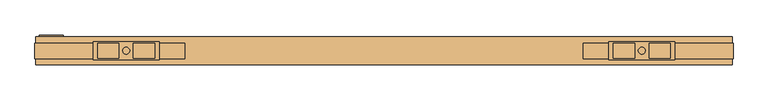
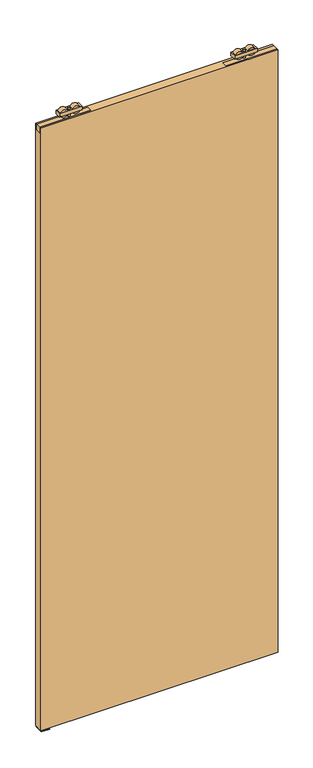
"""IFC4 building model written with IfcOpenShell, lengths in millimetres: door geometry."""

from ifc_helpers import new_model, si_unit, frame, origin, place, context, project, spatial, polyline, circle_curve, outline, extrude, source, transform, mapped, element, save
from ifc_brep_helpers import plane_surface, cylinder_surface, advanced_brep


def door_ac15cd77(model_context):
    return source(origin(), model_context, "Body", "SolidModel", [
        advanced_brep(
        [(965.0, 5.75, 2727.5), (870.0, 5.75, 2727.5), (870.0, -20.25, 2727.5), (965.0, -20.25, 2727.5), (907.072332, -17.9531798, 2727.5), (876.78306, -17.9531798, 2727.5), (876.78306, 3.4531798, 2727.5), (907.072332, 3.4531798, 2727.5), (958.21694, -17.9531798, 2727.5), (927.927668, -17.9531798, 2727.5), (927.927668, 3.4531798, 2727.5), (958.21694, 3.4531798, 2727.5), (922.45, -7.25, 2727.5), (912.55, -7.25, 2727.5), (965.0, 5.75, 2712.5), (965.0, -20.25, 2712.5), (870.0, -20.25, 2712.5), (870.0, 5.75, 2712.5), (876.78306, -17.9531798, 2712.5), (907.072332, -17.9531798, 2712.5), (907.072332, 3.4531798, 2712.5), (876.78306, 3.4531798, 2712.5), (927.927668, -17.9531798, 2712.5), (958.21694, -17.9531798, 2712.5), (958.21694, 3.4531798, 2712.5), (927.927668, 3.4531798, 2712.5), (912.55, -7.25, 2712.5), (922.45, -7.25, 2712.5), (912.55, -7.25, 2733.0), (922.45, -7.25, 2733.0), (912.55, -7.25, 2696.0), (922.45, -7.25, 2696.0)],
        [
            (0, 1),
            (1, 2),
            (2, 3),
            (3, 0),
            (4, 5),
            (5, 6),
            (6, 7),
            (7, 4),
            (8, 9),
            (9, 10),
            (10, 11),
            (11, 8),
            (12, 13, circle_curve(frame((917.5, -7.25, 2727.5), z_axis=(0.0, 0.0, -1.0), x_axis=(1.0, 0.0, 0.0)), 4.95)),
            (13, 12, circle_curve(frame((917.5, -7.25, 2727.5), z_axis=(0.0, 0.0, -1.0), x_axis=(1.0, 0.0, 0.0)), 4.95)),
            (14, 15),
            (15, 16),
            (16, 17),
            (17, 14),
            (18, 19),
            (19, 20),
            (20, 21),
            (21, 18),
            (22, 23),
            (23, 24),
            (24, 25),
            (25, 22),
            (26, 27, circle_curve(frame((917.5, -7.25, 2712.5), z_axis=(0.0, 0.0, 1.0), x_axis=(1.0, 0.0, 0.0)), 4.95)),
            (27, 26, circle_curve(frame((917.5, -7.25, 2712.5), z_axis=(0.0, 0.0, 1.0), x_axis=(1.0, 0.0, 0.0)), 4.95)),
            (0, 14),
            (17, 1),
            (16, 2),
            (15, 3),
            (18, 19, circle_curve(frame((891.927696, -17.9531798, 2720.0), z_axis=(0.0, -1.0, 0.0), x_axis=(1.0, 0.0, 0.0)), 16.9)),
            (4, 5, circle_curve(frame((891.927696, -17.9531798, 2720.0), z_axis=(0.0, -1.0, 0.0), x_axis=(1.0, 0.0, 0.0)), 16.9)),
            (6, 7, circle_curve(frame((891.927696, 3.4531798, 2720.0), z_axis=(0.0, 1.0, 0.0), x_axis=(1.0, 0.0, 0.0)), 16.9)),
            (20, 21, circle_curve(frame((891.927696, 3.4531798, 2720.0), z_axis=(0.0, 1.0, 0.0), x_axis=(1.0, 0.0, 0.0)), 16.9)),
            (8, 9, circle_curve(frame((943.072304, -17.9531798, 2720.0), z_axis=(0.0, -1.0, 0.0), x_axis=(-1.0, 0.0, 0.0)), 16.9)),
            (22, 23, circle_curve(frame((943.072304, -17.9531798, 2720.0), z_axis=(0.0, -1.0, 0.0), x_axis=(-1.0, 0.0, 0.0)), 16.9)),
            (24, 25, circle_curve(frame((943.072304, 3.4531798, 2720.0), z_axis=(0.0, 1.0, 0.0), x_axis=(-1.0, 0.0, 0.0)), 16.9)),
            (10, 11, circle_curve(frame((943.072304, 3.4531798, 2720.0), z_axis=(0.0, 1.0, 0.0), x_axis=(-1.0, 0.0, 0.0)), 16.9)),
            (28, 29, circle_curve(frame((917.5, -7.25, 2733.0), z_axis=(0.0, 0.0, 1.0), x_axis=(1.0, 0.0, 0.0)), 4.95)),
            (29, 28, circle_curve(frame((917.5, -7.25, 2733.0), z_axis=(0.0, 0.0, 1.0), x_axis=(1.0, 0.0, 0.0)), 4.95)),
            (30, 31, circle_curve(frame((917.5, -7.25, 2696.0), z_axis=(0.0, 0.0, -1.0), x_axis=(1.0, 0.0, 0.0)), 4.95)),
            (31, 30, circle_curve(frame((917.5, -7.25, 2696.0), z_axis=(0.0, 0.0, -1.0), x_axis=(1.0, 0.0, 0.0)), 4.95)),
            (28, 13),
            (12, 29),
            (31, 27),
            (26, 30),
        ],
        [
            plane_surface(frame((870.0, 5.75, 2727.5), z_axis=(0.0, 0.0, 1.0), x_axis=(-1.0, 0.0, 0.0))),
            plane_surface(frame((870.0, 5.75, 2712.5), z_axis=(0.0, 0.0, -1.0), x_axis=(1.0, 0.0, 0.0))),
            plane_surface(frame((965.0, 5.75, 2727.5), z_axis=(0.0, 1.0, 0.0), x_axis=(0.0, 0.0, -1.0))),
            plane_surface(frame((870.0, 5.75, 2727.5), z_axis=(-1.0, 0.0, 0.0), x_axis=(0.0, 0.0, -1.0))),
            plane_surface(frame((870.0, -20.25, 2727.5), z_axis=(0.0, -1.0, 0.0), x_axis=(0.0, 0.0, -1.0))),
            plane_surface(frame((965.0, -20.25, 2727.5), z_axis=(1.0, 0.0, 0.0), x_axis=(0.0, 0.0, -1.0))),
            plane_surface(frame((908.827696, -17.9531798, 2720.0), z_axis=(0.0, -1.0, 0.0), x_axis=(0.0, 0.0, 1.0))),
            plane_surface(frame((908.827696, 3.4531798, 2720.0), z_axis=(0.0, 1.0, 0.0), x_axis=(0.0, 0.0, -1.0))),
            cylinder_surface(frame((891.927696, 3.4531798, 2720.0), z_axis=(0.0, -1.0, 0.0), x_axis=(1.0, 0.0, 0.0)), 16.9),
            plane_surface(frame((926.172304, -17.9531798, 2720.0), z_axis=(0.0, -1.0, 0.0), x_axis=(0.0, 0.0, -1.0))),
            plane_surface(frame((926.172304, 3.4531798, 2720.0), z_axis=(0.0, 1.0, 0.0), x_axis=(0.0, 0.0, 1.0))),
            cylinder_surface(frame((943.072304, 3.4531798, 2720.0), z_axis=(0.0, -1.0, 0.0), x_axis=(-1.0, 0.0, 0.0)), 16.9),
            plane_surface(frame((922.45, -7.25, 2733.0), z_axis=(0.0, 0.0, 1.0), x_axis=(0.0, 1.0, 0.0))),
            plane_surface(frame((922.45, -7.25, 2696.0), z_axis=(0.0, 0.0, -1.0), x_axis=(0.0, -1.0, 0.0))),
            cylinder_surface(frame((917.5, -7.25, 2696.0), z_axis=(0.0, 0.0, 1.0), x_axis=(1.0, 0.0, 0.0)), 4.95),
        ],
        [
            (0, [[1, 2, 3, 4], [5, 6, 7, 8], [9, 10, 11, 12], [13, 14]]),
            (1, [[15, 16, 17, 18], [19, 20, 21, 22], [23, 24, 25, 26], [27, 28]]),
            (2, [[-1, 29, -18, 30]]),
            (3, [[-2, -30, -17, 31]]),
            (4, [[-3, -31, -16, 32]]),
            (5, [[-4, -32, -15, -29]]),
            (6, [[33, -19]]),
            (6, [[34, -5]]),
            (7, [[35, -7]]),
            (7, [[36, -21]]),
            (8, [[-33, -22, -36, -20]]),
            (8, [[-34, -8, -35, -6]]),
            (9, [[37, -9]]),
            (9, [[38, -23]]),
            (10, [[39, -25]]),
            (10, [[40, -11]]),
            (11, [[-38, -26, -39, -24]]),
            (11, [[-37, -12, -40, -10]]),
            (12, [[41, 42]]),
            (13, [[43, 44]]),
            (14, [[-41, 45, -13, 46]]),
            (14, [[-44, 47, -27, 48]]),
            (14, [[-42, -46, -14, -45]]),
            (14, [[-43, -48, -28, -47]]),
        ],
    ),
        extrude(outline(polyline([(1048.5, -18.5074263), (833.5, -18.5074263), (833.5, 3.4925737), (1048.5, 3.4925737), (1048.5, -18.5074263)])), frame((0.0, 0.0, 2671.2), z_axis=(0.0, 0.0, 1.0), x_axis=(1.0, 0.0, 0.0)), (0.0, 0.0, 1.0), 24.8),
        advanced_brep(
        [(130.0, 5.75, 2727.5), (130.0, -20.25, 2727.5), (225.0, -20.25, 2727.5), (225.0, 5.75, 2727.5), (187.927668, -17.9531798, 2727.5), (187.927668, 3.4531798, 2727.5), (218.21694, 3.4531798, 2727.5), (218.21694, -17.9531798, 2727.5), (136.78306, -17.9531798, 2727.5), (136.78306, 3.4531798, 2727.5), (167.072332, 3.4531798, 2727.5), (167.072332, -17.9531798, 2727.5), (172.55, -7.25, 2727.5), (182.45, -7.25, 2727.5), (130.0, 5.75, 2712.5), (225.0, 5.75, 2712.5), (225.0, -20.25, 2712.5), (130.0, -20.25, 2712.5), (218.21694, -17.9531798, 2712.5), (218.21694, 3.4531798, 2712.5), (187.927668, 3.4531798, 2712.5), (187.927668, -17.9531798, 2712.5), (167.072332, -17.9531798, 2712.5), (167.072332, 3.4531798, 2712.5), (136.78306, 3.4531798, 2712.5), (136.78306, -17.9531798, 2712.5), (182.45, -7.25, 2712.5), (172.55, -7.25, 2712.5), (182.45, -7.25, 2733.0), (172.55, -7.25, 2733.0), (182.45, -7.25, 2696.0), (172.55, -7.25, 2696.0)],
        [
            (0, 1),
            (1, 2),
            (2, 3),
            (3, 0),
            (4, 5),
            (5, 6),
            (6, 7),
            (7, 4),
            (8, 9),
            (9, 10),
            (10, 11),
            (11, 8),
            (12, 13, circle_curve(frame((177.5, -7.25, 2727.5), z_axis=(0.0, 0.0, -1.0), x_axis=(-1.0, 0.0, 0.0)), 4.95)),
            (13, 12, circle_curve(frame((177.5, -7.25, 2727.5), z_axis=(0.0, 0.0, -1.0), x_axis=(-1.0, 0.0, 0.0)), 4.95)),
            (14, 15),
            (15, 16),
            (16, 17),
            (17, 14),
            (18, 19),
            (19, 20),
            (20, 21),
            (21, 18),
            (22, 23),
            (23, 24),
            (24, 25),
            (25, 22),
            (26, 27, circle_curve(frame((177.5, -7.25, 2712.5), z_axis=(0.0, 0.0, 1.0), x_axis=(-1.0, 0.0, 0.0)), 4.95)),
            (27, 26, circle_curve(frame((177.5, -7.25, 2712.5), z_axis=(0.0, 0.0, 1.0), x_axis=(-1.0, 0.0, 0.0)), 4.95)),
            (3, 15),
            (14, 0),
            (2, 16),
            (1, 17),
            (7, 4, circle_curve(frame((203.072304, -17.9531798, 2720.0), z_axis=(0.0, -1.0, 0.0), x_axis=(-1.0, 0.0, 0.0)), 16.9)),
            (21, 18, circle_curve(frame((203.072304, -17.9531798, 2720.0), z_axis=(0.0, -1.0, 0.0), x_axis=(-1.0, 0.0, 0.0)), 16.9)),
            (5, 6, circle_curve(frame((203.072304, 3.4531798, 2720.0), z_axis=(0.0, 1.0, 0.0), x_axis=(-1.0, 0.0, 0.0)), 16.9)),
            (19, 20, circle_curve(frame((203.072304, 3.4531798, 2720.0), z_axis=(0.0, 1.0, 0.0), x_axis=(-1.0, 0.0, 0.0)), 16.9)),
            (11, 8, circle_curve(frame((151.927696, -17.9531798, 2720.0), z_axis=(0.0, -1.0, 0.0), x_axis=(1.0, 0.0, 0.0)), 16.9)),
            (25, 22, circle_curve(frame((151.927696, -17.9531798, 2720.0), z_axis=(0.0, -1.0, 0.0), x_axis=(1.0, 0.0, 0.0)), 16.9)),
            (9, 10, circle_curve(frame((151.927696, 3.4531798, 2720.0), z_axis=(0.0, 1.0, 0.0), x_axis=(1.0, 0.0, 0.0)), 16.9)),
            (23, 24, circle_curve(frame((151.927696, 3.4531798, 2720.0), z_axis=(0.0, 1.0, 0.0), x_axis=(1.0, 0.0, 0.0)), 16.9)),
            (28, 29, circle_curve(frame((177.5, -7.25, 2733.0), z_axis=(0.0, 0.0, 1.0), x_axis=(-1.0, 0.0, 0.0)), 4.95)),
            (29, 28, circle_curve(frame((177.5, -7.25, 2733.0), z_axis=(0.0, 0.0, 1.0), x_axis=(-1.0, 0.0, 0.0)), 4.95)),
            (30, 31, circle_curve(frame((177.5, -7.25, 2696.0), z_axis=(0.0, 0.0, -1.0), x_axis=(-1.0, 0.0, 0.0)), 4.95)),
            (31, 30, circle_curve(frame((177.5, -7.25, 2696.0), z_axis=(0.0, 0.0, -1.0), x_axis=(-1.0, 0.0, 0.0)), 4.95)),
            (30, 26),
            (27, 31),
            (29, 12),
            (13, 28),
        ],
        [
            plane_surface(frame((225.0, 5.75, 2727.5), z_axis=(0.0, 0.0, 1.0), x_axis=(1.0, 0.0, 0.0))),
            plane_surface(frame((225.0, 5.75, 2712.5), z_axis=(0.0, 0.0, -1.0), x_axis=(-1.0, 0.0, 0.0))),
            plane_surface(frame((130.0, 5.75, 2727.5), z_axis=(0.0, 1.0, 0.0), x_axis=(0.0, 0.0, -1.0))),
            plane_surface(frame((225.0, 5.75, 2727.5), z_axis=(1.0, 0.0, 0.0), x_axis=(0.0, 0.0, -1.0))),
            plane_surface(frame((225.0, -20.25, 2727.5), z_axis=(0.0, -1.0, 0.0), x_axis=(0.0, 0.0, -1.0))),
            plane_surface(frame((130.0, -20.25, 2727.5), z_axis=(-1.0, 0.0, 0.0), x_axis=(0.0, 0.0, -1.0))),
            plane_surface(frame((186.172304, -17.9531798, 2720.0), z_axis=(0.0, -1.0, 0.0), x_axis=(0.0, 0.0, 1.0))),
            plane_surface(frame((186.172304, 3.4531798, 2720.0), z_axis=(0.0, 1.0, 0.0), x_axis=(0.0, 0.0, -1.0))),
            cylinder_surface(frame((203.072304, 3.4531798, 2720.0), z_axis=(0.0, -1.0, 0.0), x_axis=(-1.0, 0.0, 0.0)), 16.9),
            plane_surface(frame((168.827696, -17.9531798, 2720.0), z_axis=(0.0, -1.0, 0.0), x_axis=(0.0, 0.0, -1.0))),
            plane_surface(frame((168.827696, 3.4531798, 2720.0), z_axis=(0.0, 1.0, 0.0), x_axis=(0.0, 0.0, 1.0))),
            cylinder_surface(frame((151.927696, 3.4531798, 2720.0), z_axis=(0.0, -1.0, 0.0), x_axis=(1.0, 0.0, 0.0)), 16.9),
            plane_surface(frame((172.55, -7.25, 2733.0), z_axis=(0.0, 0.0, 1.0), x_axis=(0.0, 1.0, 0.0))),
            plane_surface(frame((172.55, -7.25, 2696.0), z_axis=(0.0, 0.0, -1.0), x_axis=(0.0, -1.0, 0.0))),
            cylinder_surface(frame((177.5, -7.25, 2696.0), z_axis=(0.0, 0.0, 1.0), x_axis=(-1.0, 0.0, 0.0)), 4.95),
        ],
        [
            (0, [[1, 2, 3, 4], [5, 6, 7, 8], [9, 10, 11, 12], [13, 14]]),
            (1, [[15, 16, 17, 18], [19, 20, 21, 22], [23, 24, 25, 26], [27, 28]]),
            (2, [[29, -15, 30, -4]]),
            (3, [[31, -16, -29, -3]]),
            (4, [[32, -17, -31, -2]]),
            (5, [[-30, -18, -32, -1]]),
            (6, [[-8, 33]]),
            (6, [[-22, 34]]),
            (7, [[-6, 35]]),
            (7, [[-20, 36]]),
            (8, [[-21, -36, -19, -34]]),
            (8, [[-7, -35, -5, -33]]),
            (9, [[-12, 37]]),
            (9, [[-26, 38]]),
            (10, [[-10, 39]]),
            (10, [[-24, 40]]),
            (11, [[-25, -40, -23, -38]]),
            (11, [[-11, -39, -9, -37]]),
            (12, [[41, 42]]),
            (13, [[43, 44]]),
            (14, [[45, -28, 46, -43]]),
            (14, [[47, -14, 48, -42]]),
            (14, [[-48, -13, -47, -41]]),
            (14, [[-46, -27, -45, -44]]),
        ],
    ),
        extrude(outline(polyline([(46.5, -18.5074263), (46.5, 3.4925737), (261.5, 3.4925737), (261.5, -18.5074263), (46.5, -18.5074263)])), frame((0.0, 0.0, 2671.2), z_axis=(0.0, 0.0, 1.0), x_axis=(1.0, 0.0, 0.0)), (0.0, 0.0, 1.0), 24.8),
        extrude(outline(polyline([(47.5, 12.75), (1047.5, 12.75), (1047.5, -27.25), (47.5, -27.25), (47.5, 12.75)])), frame((0.0, 0.0, 10.0), z_axis=(0.0, 0.0, 1.0), x_axis=(1.0, 0.0, 0.0)), (0.0, 0.0, 1.0), 2686.0),
        extrude(outline(polyline([(15.3483682, 2.0), (15.3483682, 0.0), (-21.25, 0.0), (-21.25, 2.0), (-7.25, 2.0), (-7.25, 26.0), (1.6516318, 26.0), (1.6516318, 2.0), (15.3483682, 2.0)])), frame((52.5, 0.0, 0.0), z_axis=(1.0, 0.0, 0.0), x_axis=(0.0, 1.0, 0.0)), (0.0, 0.0, 1.0), 35.0),
    ])


if __name__ == "__main__":
    model = new_model("IFC4")
    model_context = context("Model", 3, world=origin())
    ifc_project = project(units=[si_unit("LENGTHUNIT", "METRE", prefix="MILLI")], contexts=[model_context])
    site = spatial("IfcSite", under=ifc_project)
    building = spatial("IfcBuilding", under=site)
    placement = place(None, origin())
    door_shape = door_ac15cd77(model_context)
    element("IfcDoor", 1, at=placement, inside=building, context=model_context, shape_type="MappedRepresentation", body=[
        mapped(door_shape, transform((0.0, 0.0, 0.0), x_axis=(1.0, 0.0, 0.0), y_axis=(0.0, 1.0, 0.0), z_axis=(0.0, 0.0, 1.0))),
    ])
    save(model, "model.ifc")
